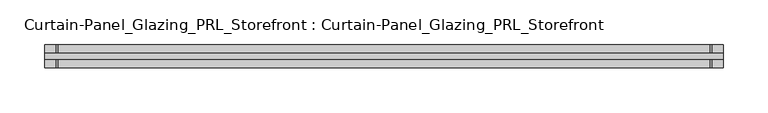
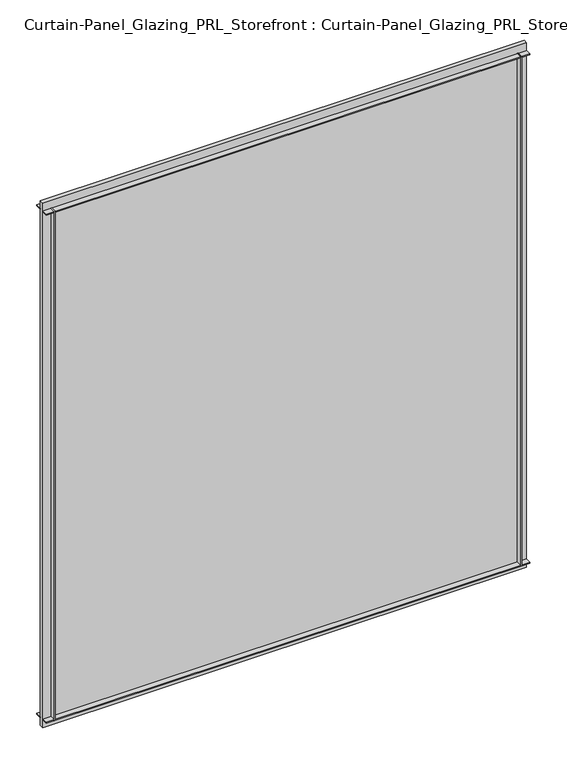
"""IFC4 building model written with IfcOpenShell, lengths in millimetres: plate geometry, Curtain-Panel_Glazing_PRL_Storefront : Curtain-Panel_Glazing_PRL_Storefront."""

from ifc_helpers import new_model, si_unit, frame, origin, origin_with_axes, place, context, project, spatial, polyline, outline, extrude, source, transform, mapped, element, save


def curtain_panel_glazing_prl_storefront_curtain_panel_glazing_bf2142a5(model_context):
    return source(origin(), model_context, "Body", "SweptSolid", [
        extrude(outline(polyline([(346.6041667, -12.7), (345.0166667, -12.7), (345.0166667, -3.175), (346.6041667, -3.175), (346.6041667, -12.7)])), frame((0.0, 0.0, 12.7), z_axis=(0.0, 0.0, 1.0), x_axis=(1.0, 0.0, 0.0)), (0.0, 0.0, 1.0), 841.375),
        extrude(outline(polyline([(346.6041667, 12.7), (346.6041667, 3.175), (345.0166667, 3.175), (345.0166667, 12.7), (346.6041667, 12.7)])), frame((0.0, 0.0, 12.7), z_axis=(0.0, 0.0, 1.0), x_axis=(1.0, 0.0, 0.0)), (0.0, 0.0, 1.0), 841.375),
        extrude(outline(polyline([(-384.7041667, -12.7), (-384.7041667, -3.175), (-383.1166667, -3.175), (-383.1166667, -12.7), (-384.7041667, -12.7)])), frame((0.0, 0.0, 12.7), z_axis=(0.0, 0.0, 1.0), x_axis=(1.0, 0.0, 0.0)), (0.0, 0.0, 1.0), 841.375),
        extrude(outline(polyline([(-384.7041667, 12.7), (-383.1166667, 12.7), (-383.1166667, 3.175), (-384.7041667, 3.175), (-384.7041667, 12.7)])), frame((0.0, 0.0, 12.7), z_axis=(0.0, 0.0, 1.0), x_axis=(1.0, 0.0, 0.0)), (0.0, 0.0, 1.0), 841.375),
        extrude(outline(polyline([(359.3041667, 3.175), (359.3041667, -3.175), (-397.4041667, -3.175), (-397.4041667, 3.175), (359.3041667, 3.175)])), origin_with_axes(), (0.0, 0.0, 1.0), 866.775),
        extrude(outline(polyline([(-397.4041667, -12.7), (-397.4041667, -3.175), (359.3041667, -3.175), (359.3041667, -12.7), (-397.4041667, -12.7)])), frame((0.0, 0.0, 852.4875), z_axis=(0.0, 0.0, 1.0), x_axis=(1.0, 0.0, 0.0)), (0.0, 0.0, 1.0), 1.5875),
        extrude(outline(polyline([(-397.4041667, 12.7), (359.3041667, 12.7), (359.3041667, 3.175), (-397.4041667, 3.175), (-397.4041667, 12.7)])), frame((0.0, 0.0, 852.4875), z_axis=(0.0, 0.0, 1.0), x_axis=(1.0, 0.0, 0.0)), (0.0, 0.0, 1.0), 1.5875),
        extrude(outline(polyline([(-397.4041667, -12.7), (-397.4041667, -3.175), (359.3041667, -3.175), (359.3041667, -12.7), (-397.4041667, -12.7)])), frame((0.0, 0.0, 12.7), z_axis=(0.0, 0.0, 1.0), x_axis=(1.0, 0.0, 0.0)), (0.0, 0.0, 1.0), 1.5875),
        extrude(outline(polyline([(-397.4041667, 12.7), (359.3041667, 12.7), (359.3041667, 3.175), (-397.4041667, 3.175), (-397.4041667, 12.7)])), frame((0.0, 0.0, 12.7), z_axis=(0.0, 0.0, 1.0), x_axis=(1.0, 0.0, 0.0)), (0.0, 0.0, 1.0), 1.5875),
    ])


if __name__ == "__main__":
    model = new_model("IFC4")
    model_context = context("Model", 3, world=origin())
    ifc_project = project(units=[si_unit("LENGTHUNIT", "METRE", prefix="MILLI")], contexts=[model_context])
    site = spatial("IfcSite", under=ifc_project)
    building = spatial("IfcBuilding", under=site)
    placement = place(None, origin())
    curtain_panel_glazing_prl_storefront_curtain_panel_glazing_shape = curtain_panel_glazing_prl_storefront_curtain_panel_glazing_bf2142a5(model_context)
    element("IfcPlate", 1, ObjectType="Curtain-Panel_Glazing_PRL_Storefront : Curtain-Panel_Glazing_PRL_Storefront", at=placement, inside=building, context=model_context, shape_type="MappedRepresentation", body=[
        mapped(curtain_panel_glazing_prl_storefront_curtain_panel_glazing_shape, transform((0.0, 0.0, 0.0), x_axis=(1.0, 0.0, 0.0), y_axis=(0.0, 1.0, 0.0), z_axis=(0.0, 0.0, 1.0))),
    ])
    save(model, "model.ifc")
